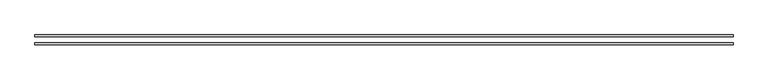
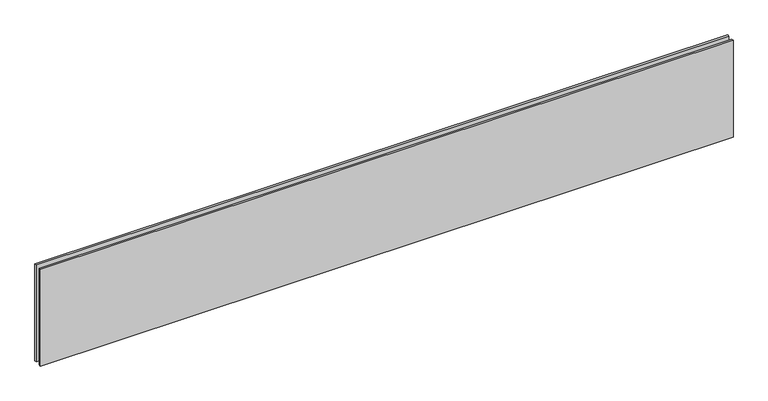
"""IFC4 building model written with IfcOpenShell, lengths in millimetres: plate geometry."""

from ifc_helpers import new_model, si_unit, origin, origin_with_axes, place, context, project, spatial, polyline, outline, extrude, source, transform, mapped, element, save


def plate_02d6ee58(model_context):
    return source(origin(), model_context, "Body", "SweptSolid", [
        extrude(outline(polyline([(-1009.1474384, 14.0), (1009.1474384, 14.0), (1009.1474384, 8.0), (-1009.1474384, 8.0), (-1009.1474384, 14.0)])), origin_with_axes(), (0.0, 0.0, 1.0), 298.0924145),
        extrude(outline(polyline([(-1009.1474384, -8.0), (1009.1474384, -8.0), (1009.1474384, -14.0), (-1009.1474384, -14.0), (-1009.1474384, -8.0)])), origin_with_axes(), (0.0, 0.0, 1.0), 298.0924145),
    ])


if __name__ == "__main__":
    model = new_model("IFC4")
    model_context = context("Model", 3, world=origin())
    ifc_project = project(units=[si_unit("LENGTHUNIT", "METRE", prefix="MILLI")], contexts=[model_context])
    site = spatial("IfcSite", under=ifc_project)
    building = spatial("IfcBuilding", under=site)
    placement = place(None, origin())
    plate_shape = plate_02d6ee58(model_context)
    element("IfcPlate", 1, at=placement, inside=building, context=model_context, shape_type="MappedRepresentation", body=[
        mapped(plate_shape, transform((0.0, 0.0, 0.0), x_axis=(1.0, 0.0, 0.0), y_axis=(0.0, 1.0, 0.0), z_axis=(0.0, 0.0, 1.0))),
    ])
    save(model, "model.ifc")
